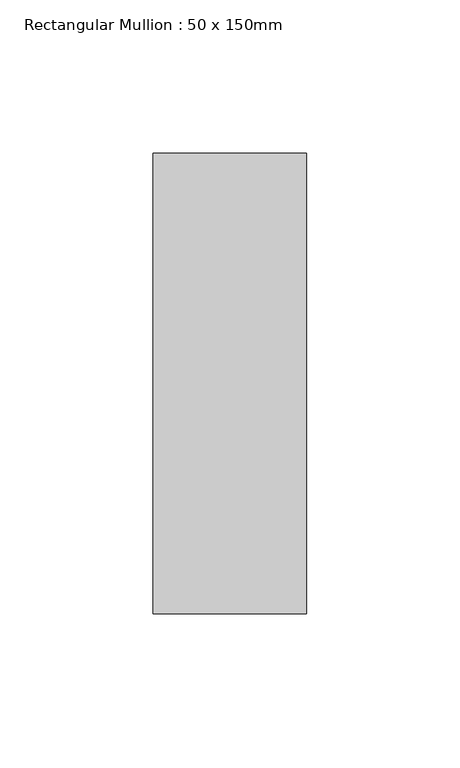
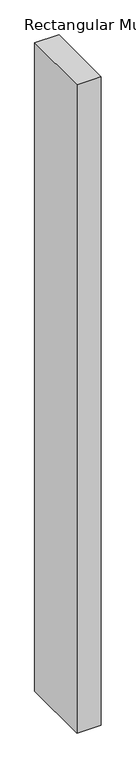
"""IFC4 building model written with IfcOpenShell, lengths in millimetres: member geometry, Rectangular Mullion : 50 x 150mm."""

import ifcopenshell
import ifcopenshell.guid

model = None  # the IFC model being written
_history = None  # IfcOwnerHistory: only IFC2X3 demands one
_inside = {}  # id of a spatial element -> (the spatial element, [elements in it])
_under = {}  # id of a project, library or spatial element -> (it, [spatial elements below it])
_declared = {}  # id of a project -> (the project, [libraries it declares])
_typed = {}  # id of a type object -> (the type object, [elements of that type])
_made_of = {}  # id of a material, layer set ... -> (it, [elements and type objects made of it])


def new_model(schema):
    """Start an empty IFC model of exactly this schema.

    Asked for "IFC4X3", IfcOpenShell would pick the latest addendum, in which some entities
    have other attributes; the version numbers below select the first issue.
    IFC2X3 requires an IfcOwnerHistory on every rooted entity: one is made here for all.
    """
    global model, _history
    if schema == "IFC4X3":
        model = ifcopenshell.file(schema_version=(4, 3, 0, 0))
    else:
        model = ifcopenshell.file(schema=schema)
    _inside.clear()
    _under.clear()
    _declared.clear()
    _typed.clear()
    _made_of.clear()
    _history = None
    if model.schema == "IFC2X3":
        org = make("IfcOrganization", Name="unknown")
        user = make(
            "IfcPersonAndOrganization",
            ThePerson=make("IfcPerson", FamilyName="unknown"),
            TheOrganization=org,
        )
        app = make(
            "IfcApplication",
            ApplicationDeveloper=org,
            Version="unknown",
            ApplicationFullName="unknown",
            ApplicationIdentifier="unknown",
        )
        _history = make(
            "IfcOwnerHistory",
            OwningUser=user,
            OwningApplication=app,
            ChangeAction="ADDED",
            CreationDate=0,
        )
    return model


def make(cls, **values):
    """One entity of the class cls with the attributes given. An attribute that is None is left unset."""
    return model.create_entity(
        cls, **{name: value for name, value in values.items() if value is not None}
    )


def rooted(cls, **values):
    """An entity with a GlobalId (a new one), such as an element, a storey or a relation."""
    return make(cls, GlobalId=ifcopenshell.guid.new(), OwnerHistory=_history, **values)


def si_unit(unit_type, name, prefix=None):
    """IfcSIUnit, for example si_unit("LENGTHUNIT", "METRE", prefix="MILLI")."""
    return make("IfcSIUnit", UnitType=unit_type, Prefix=prefix, Name=name)


def assignment(units):
    """IfcUnitAssignment: the units of a project."""
    return None if units is None else make("IfcUnitAssignment", Units=units)


def point(xyz):
    """IfcCartesianPoint."""
    return None if xyz is None else make("IfcCartesianPoint", Coordinates=xyz)


def direction(xyz):
    """IfcDirection."""
    return None if xyz is None else make("IfcDirection", DirectionRatios=xyz)


def frame(location, z_axis=None, x_axis=None):
    """IfcAxis2Placement3D, a coordinate frame: its origin and axes. An axis left out is left unset."""
    return make(
        "IfcAxis2Placement3D",
        Location=point(location),
        Axis=direction(z_axis),
        RefDirection=direction(x_axis),
    )


def origin():
    """The frame at (0, 0, 0) with its axes left unset."""
    return frame((0.0, 0.0, 0.0))


def place(relative_to, where):
    """IfcLocalPlacement: puts the frame where relative to a parent placement (None: the world)."""
    return make(
        "IfcLocalPlacement", PlacementRelTo=relative_to, RelativePlacement=where
    )


def context(
    kind, dimensions, precision=None, world=None, true_north=None, identifier=None
):
    """IfcGeometricRepresentationContext, for example the 3D "Model" context."""
    return make(
        "IfcGeometricRepresentationContext",
        ContextIdentifier=identifier,
        ContextType=kind,
        CoordinateSpaceDimension=dimensions,
        Precision=precision,
        WorldCoordinateSystem=world,
        TrueNorth=true_north,
    )


def project(units=None, contexts=None):
    """IfcProject with its units and contexts."""
    return rooted(
        "IfcProject",
        Name="project",
        RepresentationContexts=contexts,
        UnitsInContext=assignment(units),
    )


def spatial(cls, under=None, at=None, **own):
    """A site, building, storey or space (cls), placed at a placement, below another one or the project."""
    s = rooted(cls, ObjectPlacement=at, **own)
    if under is not None:
        _under.setdefault(under.id(), (under, []))[1].append(s)
    return s


def polyline(points):
    """IfcPolyline through the points."""
    return make("IfcPolyline", Points=[point(p) for p in points])


def outline(outer, holes=None, kind="AREA"):
    """IfcArbitraryClosedProfileDef: a profile drawn as a closed curve; with holes, ...WithVoids."""
    if holes is None:
        return make("IfcArbitraryClosedProfileDef", ProfileType=kind, OuterCurve=outer)
    return make(
        "IfcArbitraryProfileDefWithVoids",
        ProfileType=kind,
        OuterCurve=outer,
        InnerCurves=holes,
    )


def extrude(swept, where, along, depth):
    """IfcExtrudedAreaSolid: the profile swept, set in the frame where, extruded along a direction by depth."""
    return make(
        "IfcExtrudedAreaSolid",
        SweptArea=swept,
        Position=where,
        ExtrudedDirection=direction(along),
        Depth=depth,
    )


def shape(context_of_items, identifier, shape_type, items):
    """IfcShapeRepresentation: the items that make up one representation, for example the "Body"."""
    return make(
        "IfcShapeRepresentation",
        ContextOfItems=context_of_items,
        RepresentationIdentifier=identifier,
        RepresentationType=shape_type,
        Items=items,
    )


def source(mapping_origin, context_of_items, identifier, shape_type, items):
    """IfcRepresentationMap: a shape defined once, which mapped items show again and again."""
    return make(
        "IfcRepresentationMap",
        MappingOrigin=mapping_origin,
        MappedRepresentation=shape(context_of_items, identifier, shape_type, items),
    )


def transform(
    local_origin,
    x_axis=None,
    y_axis=None,
    z_axis=None,
    scale=None,
    scale2=None,
    scale3=None,
    uniform=True,
):
    """IfcCartesianTransformationOperator3D, or its non-uniform kind. x_axis, y_axis, z_axis: its Axis1, 2, 3."""
    if uniform:
        return make(
            "IfcCartesianTransformationOperator3D",
            Axis1=direction(x_axis),
            Axis2=direction(y_axis),
            LocalOrigin=point(local_origin),
            Scale=scale,
            Axis3=direction(z_axis),
        )
    return make(
        "IfcCartesianTransformationOperator3DnonUniform",
        Axis1=direction(x_axis),
        Axis2=direction(y_axis),
        LocalOrigin=point(local_origin),
        Scale=scale,
        Axis3=direction(z_axis),
        Scale2=scale2,
        Scale3=scale3,
    )


def mapped(mapping_source, mapping_target):
    """IfcMappedItem: shows the shape of a source again, moved by a transform."""
    return make(
        "IfcMappedItem", MappingSource=mapping_source, MappingTarget=mapping_target
    )


def made_of(thing, what):
    """Note that an element or type object is made of a material, layer set ...; save() writes the relation."""
    if what is not None:
        _made_of.setdefault(what.id(), (what, []))[1].append(thing)
    return thing


def element(
    cls,
    number,
    at=None,
    inside=None,
    cuts=None,
    type_object=None,
    material=None,
    context=None,
    identifier="Body",
    shape_type=None,
    held_by="IfcProductDefinitionShape",
    body=None,
    shapes=None,
    **own,
):
    """One element of the class cls, such as IfcWall. Its Tag is "e" and its number.

    at: its placement. inside: the storey or other place that contains it. cuts: it is an
    opening in that element (IfcRelVoidsElement). A single representation is given by context,
    identifier, shape_type and body (its items); several are given by shapes. held_by: the class
    of the entity that holds the representations. save() writes the other relations.
    """
    e = rooted(cls, Tag="e%d" % number, ObjectPlacement=at, **own)
    if body is not None:
        shapes = [shape(context, identifier, shape_type, body)]
    if shapes is not None:
        e.Representation = make(held_by, Representations=shapes)
    if inside is not None:
        _inside.setdefault(inside.id(), (inside, []))[1].append(e)
    if cuts is not None:
        rooted(
            "IfcRelVoidsElement", RelatingBuildingElement=cuts, RelatedOpeningElement=e
        )
    if type_object is not None:
        _typed.setdefault(type_object.id(), (type_object, []))[1].append(e)
    return made_of(e, material)


def aggregate(whole, parts):
    """IfcRelAggregates: a whole, such as a stair, and the parts it consists of."""
    return rooted("IfcRelAggregates", RelatingObject=whole, RelatedObjects=parts)


def save(model, path):
    """Write the relations noted so far, then the file.

    IfcRelAggregates (storeys below a building ...), IfcRelContainedInSpatialStructure (elements
    in a storey), IfcRelDefinesByType, IfcRelAssociatesMaterial and IfcRelDeclares: one each for
    every whole, place, type object, material and project.
    """
    for whole, parts in _under.values():
        aggregate(whole, parts)
    for where, things in _inside.values():
        rooted(
            "IfcRelContainedInSpatialStructure",
            RelatedElements=things,
            RelatingStructure=where,
        )
    for kind, things in _typed.values():
        rooted("IfcRelDefinesByType", RelatedObjects=things, RelatingType=kind)
    for what, things in _made_of.values():
        rooted("IfcRelAssociatesMaterial", RelatedObjects=things, RelatingMaterial=what)
    for by, libraries in _declared.values():
        rooted("IfcRelDeclares", RelatingContext=by, RelatedDefinitions=libraries)
    model.write(path)


def rectangular_mullion_50_x_150mm_6ca101f6(model_context):
    return source(origin(), model_context, "Body", "SweptSolid", [
        extrude(outline(polyline([(25.0, 75.0), (25.0, -75.0), (-25.0, -75.0), (-25.0, 75.0), (25.0, 75.0)])), frame((0.0, 0.0, -1406.733599), z_axis=(0.0, 0.0, 1.0), x_axis=(1.0, 0.0, 0.0)), (0.0, 0.0, 1.0), 1406.733599),
    ])


if __name__ == "__main__":
    model = new_model("IFC4")
    model_context = context("Model", 3, world=origin())
    ifc_project = project(units=[si_unit("LENGTHUNIT", "METRE", prefix="MILLI")], contexts=[model_context])
    site = spatial("IfcSite", under=ifc_project)
    building = spatial("IfcBuilding", under=site)
    placement = place(None, origin())
    rectangular_mullion_50_x_150mm_shape = rectangular_mullion_50_x_150mm_6ca101f6(model_context)
    element("IfcMember", 1, ObjectType="Rectangular Mullion : 50 x 150mm", at=placement, inside=building, context=model_context, shape_type="MappedRepresentation", body=[
        mapped(rectangular_mullion_50_x_150mm_shape, transform((0.0, 0.0, 0.0), x_axis=(1.0, 0.0, 0.0), y_axis=(0.0, 1.0, 0.0), z_axis=(0.0, 0.0, 1.0))),
    ])
    save(model, "model.ifc")
